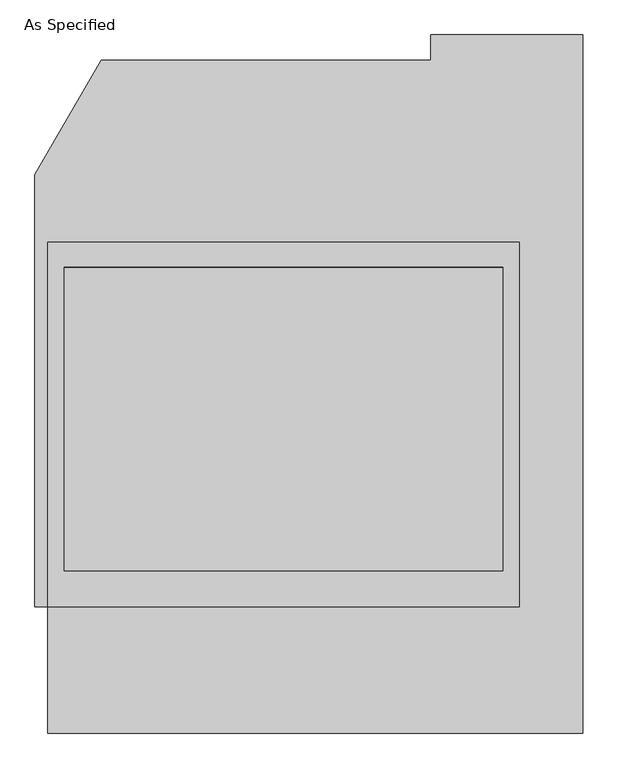
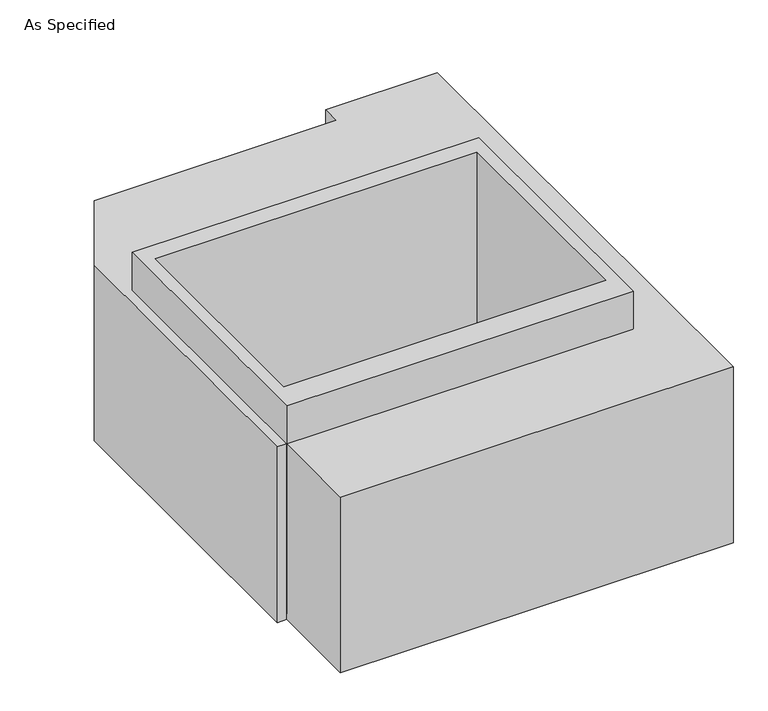
"""IFC4 building model written with IfcOpenShell, lengths in millimetres: proxy geometry, As Specified."""

import ifcopenshell
import ifcopenshell.guid

model = None  # the IFC model being written
_history = None  # IfcOwnerHistory: only IFC2X3 demands one
_inside = {}  # id of a spatial element -> (the spatial element, [elements in it])
_under = {}  # id of a project, library or spatial element -> (it, [spatial elements below it])
_declared = {}  # id of a project -> (the project, [libraries it declares])
_typed = {}  # id of a type object -> (the type object, [elements of that type])
_made_of = {}  # id of a material, layer set ... -> (it, [elements and type objects made of it])


def new_model(schema):
    """Start an empty IFC model of exactly this schema.

    Asked for "IFC4X3", IfcOpenShell would pick the latest addendum, in which some entities
    have other attributes; the version numbers below select the first issue.
    IFC2X3 requires an IfcOwnerHistory on every rooted entity: one is made here for all.
    """
    global model, _history
    if schema == "IFC4X3":
        model = ifcopenshell.file(schema_version=(4, 3, 0, 0))
    else:
        model = ifcopenshell.file(schema=schema)
    _inside.clear()
    _under.clear()
    _declared.clear()
    _typed.clear()
    _made_of.clear()
    _history = None
    if model.schema == "IFC2X3":
        org = make("IfcOrganization", Name="unknown")
        user = make(
            "IfcPersonAndOrganization",
            ThePerson=make("IfcPerson", FamilyName="unknown"),
            TheOrganization=org,
        )
        app = make(
            "IfcApplication",
            ApplicationDeveloper=org,
            Version="unknown",
            ApplicationFullName="unknown",
            ApplicationIdentifier="unknown",
        )
        _history = make(
            "IfcOwnerHistory",
            OwningUser=user,
            OwningApplication=app,
            ChangeAction="ADDED",
            CreationDate=0,
        )
    return model


def make(cls, **values):
    """One entity of the class cls with the attributes given. An attribute that is None is left unset."""
    return model.create_entity(
        cls, **{name: value for name, value in values.items() if value is not None}
    )


def rooted(cls, **values):
    """An entity with a GlobalId (a new one), such as an element, a storey or a relation."""
    return make(cls, GlobalId=ifcopenshell.guid.new(), OwnerHistory=_history, **values)


def si_unit(unit_type, name, prefix=None):
    """IfcSIUnit, for example si_unit("LENGTHUNIT", "METRE", prefix="MILLI")."""
    return make("IfcSIUnit", UnitType=unit_type, Prefix=prefix, Name=name)


def assignment(units):
    """IfcUnitAssignment: the units of a project."""
    return None if units is None else make("IfcUnitAssignment", Units=units)


def point(xyz):
    """IfcCartesianPoint."""
    return None if xyz is None else make("IfcCartesianPoint", Coordinates=xyz)


def direction(xyz):
    """IfcDirection."""
    return None if xyz is None else make("IfcDirection", DirectionRatios=xyz)


def frame(location, z_axis=None, x_axis=None):
    """IfcAxis2Placement3D, a coordinate frame: its origin and axes. An axis left out is left unset."""
    return make(
        "IfcAxis2Placement3D",
        Location=point(location),
        Axis=direction(z_axis),
        RefDirection=direction(x_axis),
    )


def origin():
    """The frame at (0, 0, 0) with its axes left unset."""
    return frame((0.0, 0.0, 0.0))


def place(relative_to, where):
    """IfcLocalPlacement: puts the frame where relative to a parent placement (None: the world)."""
    return make(
        "IfcLocalPlacement", PlacementRelTo=relative_to, RelativePlacement=where
    )


def context(
    kind, dimensions, precision=None, world=None, true_north=None, identifier=None
):
    """IfcGeometricRepresentationContext, for example the 3D "Model" context."""
    return make(
        "IfcGeometricRepresentationContext",
        ContextIdentifier=identifier,
        ContextType=kind,
        CoordinateSpaceDimension=dimensions,
        Precision=precision,
        WorldCoordinateSystem=world,
        TrueNorth=true_north,
    )


def project(units=None, contexts=None):
    """IfcProject with its units and contexts."""
    return rooted(
        "IfcProject",
        Name="project",
        RepresentationContexts=contexts,
        UnitsInContext=assignment(units),
    )


def spatial(cls, under=None, at=None, **own):
    """A site, building, storey or space (cls), placed at a placement, below another one or the project."""
    s = rooted(cls, ObjectPlacement=at, **own)
    if under is not None:
        _under.setdefault(under.id(), (under, []))[1].append(s)
    return s


def polyline(points):
    """IfcPolyline through the points."""
    return make("IfcPolyline", Points=[point(p) for p in points])


def outline(outer, holes=None, kind="AREA"):
    """IfcArbitraryClosedProfileDef: a profile drawn as a closed curve; with holes, ...WithVoids."""
    if holes is None:
        return make("IfcArbitraryClosedProfileDef", ProfileType=kind, OuterCurve=outer)
    return make(
        "IfcArbitraryProfileDefWithVoids",
        ProfileType=kind,
        OuterCurve=outer,
        InnerCurves=holes,
    )


def extrude(swept, where, along, depth):
    """IfcExtrudedAreaSolid: the profile swept, set in the frame where, extruded along a direction by depth."""
    return make(
        "IfcExtrudedAreaSolid",
        SweptArea=swept,
        Position=where,
        ExtrudedDirection=direction(along),
        Depth=depth,
    )


def faces_of(points, faces, orient=None, outer=None):
    """IfcFace entities. A face is a list of loops; a loop is a list of indices into points, from 0.

    orient and outer hold one flag for each loop. By default every Orientation is true, the
    first loop of a face is its IfcFaceOuterBound and the others are IfcFaceBound.
    """
    made = []
    for i, loops in enumerate(faces):
        bounds = []
        for j, loop in enumerate(loops):
            is_outer = j == 0 if outer is None else outer[i][j]
            bounds.append(
                make(
                    "IfcFaceOuterBound" if is_outer else "IfcFaceBound",
                    Bound=make("IfcPolyLoop", Polygon=[points[k] for k in loop]),
                    Orientation=True if orient is None else orient[i][j],
                )
            )
        made.append(make("IfcFace", Bounds=bounds))
    return made


def faceted_brep(points, faces, orient=None, outer=None, voids=None):
    """IfcFacetedBrep: a solid bounded by flat faces; with voids (closed shells), ...WithVoids."""
    shared = [point(p) for p in points]
    hull = make("IfcClosedShell", CfsFaces=faces_of(shared, faces, orient, outer))
    if voids is None:
        return make("IfcFacetedBrep", Outer=hull)
    return make(
        "IfcFacetedBrepWithVoids",
        Outer=hull,
        Voids=[
            make(cls, CfsFaces=faces_of(shared, fs, o, b)) for cls, fs, o, b in voids
        ],
    )


def shape(context_of_items, identifier, shape_type, items):
    """IfcShapeRepresentation: the items that make up one representation, for example the "Body"."""
    return make(
        "IfcShapeRepresentation",
        ContextOfItems=context_of_items,
        RepresentationIdentifier=identifier,
        RepresentationType=shape_type,
        Items=items,
    )


def source(mapping_origin, context_of_items, identifier, shape_type, items):
    """IfcRepresentationMap: a shape defined once, which mapped items show again and again."""
    return make(
        "IfcRepresentationMap",
        MappingOrigin=mapping_origin,
        MappedRepresentation=shape(context_of_items, identifier, shape_type, items),
    )


def transform(
    local_origin,
    x_axis=None,
    y_axis=None,
    z_axis=None,
    scale=None,
    scale2=None,
    scale3=None,
    uniform=True,
):
    """IfcCartesianTransformationOperator3D, or its non-uniform kind. x_axis, y_axis, z_axis: its Axis1, 2, 3."""
    if uniform:
        return make(
            "IfcCartesianTransformationOperator3D",
            Axis1=direction(x_axis),
            Axis2=direction(y_axis),
            LocalOrigin=point(local_origin),
            Scale=scale,
            Axis3=direction(z_axis),
        )
    return make(
        "IfcCartesianTransformationOperator3DnonUniform",
        Axis1=direction(x_axis),
        Axis2=direction(y_axis),
        LocalOrigin=point(local_origin),
        Scale=scale,
        Axis3=direction(z_axis),
        Scale2=scale2,
        Scale3=scale3,
    )


def mapped(mapping_source, mapping_target):
    """IfcMappedItem: shows the shape of a source again, moved by a transform."""
    return make(
        "IfcMappedItem", MappingSource=mapping_source, MappingTarget=mapping_target
    )


def made_of(thing, what):
    """Note that an element or type object is made of a material, layer set ...; save() writes the relation."""
    if what is not None:
        _made_of.setdefault(what.id(), (what, []))[1].append(thing)
    return thing


def element(
    cls,
    number,
    at=None,
    inside=None,
    cuts=None,
    type_object=None,
    material=None,
    context=None,
    identifier="Body",
    shape_type=None,
    held_by="IfcProductDefinitionShape",
    body=None,
    shapes=None,
    **own,
):
    """One element of the class cls, such as IfcWall. Its Tag is "e" and its number.

    at: its placement. inside: the storey or other place that contains it. cuts: it is an
    opening in that element (IfcRelVoidsElement). A single representation is given by context,
    identifier, shape_type and body (its items); several are given by shapes. held_by: the class
    of the entity that holds the representations. save() writes the other relations.
    """
    e = rooted(cls, Tag="e%d" % number, ObjectPlacement=at, **own)
    if body is not None:
        shapes = [shape(context, identifier, shape_type, body)]
    if shapes is not None:
        e.Representation = make(held_by, Representations=shapes)
    if inside is not None:
        _inside.setdefault(inside.id(), (inside, []))[1].append(e)
    if cuts is not None:
        rooted(
            "IfcRelVoidsElement", RelatingBuildingElement=cuts, RelatedOpeningElement=e
        )
    if type_object is not None:
        _typed.setdefault(type_object.id(), (type_object, []))[1].append(e)
    return made_of(e, material)


def aggregate(whole, parts):
    """IfcRelAggregates: a whole, such as a stair, and the parts it consists of."""
    return rooted("IfcRelAggregates", RelatingObject=whole, RelatedObjects=parts)


def save(model, path):
    """Write the relations noted so far, then the file.

    IfcRelAggregates (storeys below a building ...), IfcRelContainedInSpatialStructure (elements
    in a storey), IfcRelDefinesByType, IfcRelAssociatesMaterial and IfcRelDeclares: one each for
    every whole, place, type object, material and project.
    """
    for whole, parts in _under.values():
        aggregate(whole, parts)
    for where, things in _inside.values():
        rooted(
            "IfcRelContainedInSpatialStructure",
            RelatedElements=things,
            RelatingStructure=where,
        )
    for kind, things in _typed.values():
        rooted("IfcRelDefinesByType", RelatedObjects=things, RelatingType=kind)
    for what, things in _made_of.values():
        rooted("IfcRelAssociatesMaterial", RelatedObjects=things, RelatingMaterial=what)
    for by, libraries in _declared.values():
        rooted("IfcRelDeclares", RelatingContext=by, RelatedDefinitions=libraries)
    model.write(path)


def as_specified_ca8c808b(model_context):
    return source(origin(), model_context, "Body", "SolidModel", [
        extrude(outline(polyline([(711.2, 465.4351562), (711.2, -633.1148438), (-711.2, -633.1148438), (-711.2, 465.4351562), (711.2, 465.4351562)]), holes=[polyline([(-660.4, 389.2748437), (-660.4, -525.1251563), (660.4, -525.1251563), (660.4, 389.2748437), (-660.4, 389.2748437)])]), frame((0.0, 0.0, -762.0), z_axis=(0.0, 0.0, 1.0), x_axis=(1.0, 0.0, 0.0)), (0.0, 0.0, 1.0), 901.7),
        faceted_brep([(-711.2, -1014.1148438, -787.4), (-711.2, -633.1148438, -787.4), (-749.3, -633.1148438, -787.4), (-749.3, 668.6748437, -787.4), (-549.860123, 1014.1148437, -787.4), (444.5, 1014.1148437, -787.4), (444.5, 1090.2751562, -787.4), (901.7, 1090.2751562, -787.4), (901.7, -1014.1148438, -787.4), (-711.2, -633.1148438, -25.4), (-711.2, -1014.1148438, -25.4), (901.7, -1014.1148438, -25.4), (901.7, 1090.2751562, -25.4), (444.5, 1090.2751562, -25.4), (444.5, 1014.1148437, -25.4), (-549.860123, 1014.1148437, -25.4), (-749.3, 668.6748437, -25.4), (-749.3, -633.1148438, -25.4), (660.4, 389.2748437, -25.4), (660.4, -525.1251563, -25.4), (-660.4, -525.1251563, -25.4), (-660.4, 389.2748437, -25.4), (660.4, 389.2748437, -762.0), (-660.4, 389.2748437, -762.0), (-660.4, -525.1251563, -762.0), (660.4, -525.1251563, -762.0)], [[[0, 1, 2, 3, 4, 5, 6, 7, 8]], [[9, 10, 11, 12, 13, 14, 15, 16, 17], [18, 19, 20, 21]], [[4, 15, 14, 5]], [[2, 17, 16, 3]], [[17, 2, 1, 9]], [[1, 0, 10, 9]], [[10, 0, 8, 11]], [[4, 3, 16, 15]], [[22, 23, 24, 25]], [[22, 25, 19, 18]], [[25, 24, 20, 19]], [[24, 23, 21, 20]], [[23, 22, 18, 21]], [[8, 7, 12, 11]], [[6, 5, 14, 13]], [[7, 6, 13, 12]]]),
    ])


if __name__ == "__main__":
    model = new_model("IFC4")
    model_context = context("Model", 3, world=origin())
    ifc_project = project(units=[si_unit("LENGTHUNIT", "METRE", prefix="MILLI")], contexts=[model_context])
    site = spatial("IfcSite", under=ifc_project)
    building = spatial("IfcBuilding", under=site)
    placement = place(None, origin())
    as_specified_shape = as_specified_ca8c808b(model_context)
    element("IfcBuildingElementProxy", 1, Name="As Specified", ObjectType="As Specified", at=placement, inside=building, context=model_context, shape_type="MappedRepresentation", body=[
        mapped(as_specified_shape, transform((0.0, 0.0, 0.0), x_axis=(1.0, 0.0, 0.0), y_axis=(0.0, 1.0, 0.0), z_axis=(0.0, 0.0, 1.0))),
    ])
    save(model, "model.ifc")
